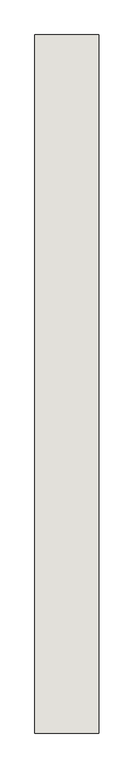
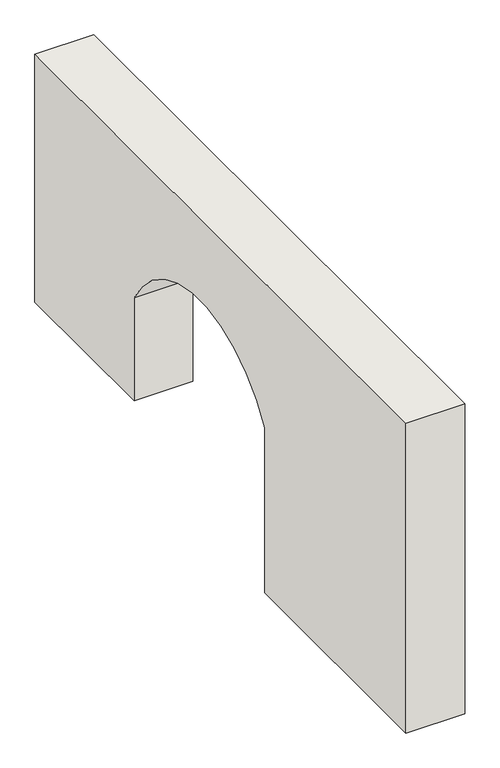
"""IFC4 building model written with IfcOpenShell, lengths in millimetres: wall geometry."""

import ifcopenshell
import ifcopenshell.guid

model = None  # the IFC model being written
_history = None  # IfcOwnerHistory: only IFC2X3 demands one
_inside = {}  # id of a spatial element -> (the spatial element, [elements in it])
_under = {}  # id of a project, library or spatial element -> (it, [spatial elements below it])
_declared = {}  # id of a project -> (the project, [libraries it declares])
_typed = {}  # id of a type object -> (the type object, [elements of that type])
_made_of = {}  # id of a material, layer set ... -> (it, [elements and type objects made of it])


def new_model(schema):
    """Start an empty IFC model of exactly this schema.

    Asked for "IFC4X3", IfcOpenShell would pick the latest addendum, in which some entities
    have other attributes; the version numbers below select the first issue.
    IFC2X3 requires an IfcOwnerHistory on every rooted entity: one is made here for all.
    """
    global model, _history
    if schema == "IFC4X3":
        model = ifcopenshell.file(schema_version=(4, 3, 0, 0))
    else:
        model = ifcopenshell.file(schema=schema)
    _inside.clear()
    _under.clear()
    _declared.clear()
    _typed.clear()
    _made_of.clear()
    _history = None
    if model.schema == "IFC2X3":
        org = make("IfcOrganization", Name="unknown")
        user = make(
            "IfcPersonAndOrganization",
            ThePerson=make("IfcPerson", FamilyName="unknown"),
            TheOrganization=org,
        )
        app = make(
            "IfcApplication",
            ApplicationDeveloper=org,
            Version="unknown",
            ApplicationFullName="unknown",
            ApplicationIdentifier="unknown",
        )
        _history = make(
            "IfcOwnerHistory",
            OwningUser=user,
            OwningApplication=app,
            ChangeAction="ADDED",
            CreationDate=0,
        )
    return model


def make(cls, **values):
    """One entity of the class cls with the attributes given. An attribute that is None is left unset."""
    return model.create_entity(
        cls, **{name: value for name, value in values.items() if value is not None}
    )


def rooted(cls, **values):
    """An entity with a GlobalId (a new one), such as an element, a storey or a relation."""
    return make(cls, GlobalId=ifcopenshell.guid.new(), OwnerHistory=_history, **values)


def si_unit(unit_type, name, prefix=None):
    """IfcSIUnit, for example si_unit("LENGTHUNIT", "METRE", prefix="MILLI")."""
    return make("IfcSIUnit", UnitType=unit_type, Prefix=prefix, Name=name)


def assignment(units):
    """IfcUnitAssignment: the units of a project."""
    return None if units is None else make("IfcUnitAssignment", Units=units)


def point(xyz):
    """IfcCartesianPoint."""
    return None if xyz is None else make("IfcCartesianPoint", Coordinates=xyz)


def direction(xyz):
    """IfcDirection."""
    return None if xyz is None else make("IfcDirection", DirectionRatios=xyz)


def frame(location, z_axis=None, x_axis=None):
    """IfcAxis2Placement3D, a coordinate frame: its origin and axes. An axis left out is left unset."""
    return make(
        "IfcAxis2Placement3D",
        Location=point(location),
        Axis=direction(z_axis),
        RefDirection=direction(x_axis),
    )


def frame_2d(location, x_axis=None):
    """IfcAxis2Placement2D, a coordinate frame in the plane: its origin and x axis."""
    return make(
        "IfcAxis2Placement2D", Location=point(location), RefDirection=direction(x_axis)
    )


def origin():
    """The frame at (0, 0, 0) with its axes left unset."""
    return frame((0.0, 0.0, 0.0))


def place(relative_to, where):
    """IfcLocalPlacement: puts the frame where relative to a parent placement (None: the world)."""
    return make(
        "IfcLocalPlacement", PlacementRelTo=relative_to, RelativePlacement=where
    )


def context(
    kind, dimensions, precision=None, world=None, true_north=None, identifier=None
):
    """IfcGeometricRepresentationContext, for example the 3D "Model" context."""
    return make(
        "IfcGeometricRepresentationContext",
        ContextIdentifier=identifier,
        ContextType=kind,
        CoordinateSpaceDimension=dimensions,
        Precision=precision,
        WorldCoordinateSystem=world,
        TrueNorth=true_north,
    )


def project(units=None, contexts=None):
    """IfcProject with its units and contexts."""
    return rooted(
        "IfcProject",
        Name="project",
        RepresentationContexts=contexts,
        UnitsInContext=assignment(units),
    )


def spatial(cls, under=None, at=None, **own):
    """A site, building, storey or space (cls), placed at a placement, below another one or the project."""
    s = rooted(cls, ObjectPlacement=at, **own)
    if under is not None:
        _under.setdefault(under.id(), (under, []))[1].append(s)
    return s


def polyline(points):
    """IfcPolyline through the points."""
    return make("IfcPolyline", Points=[point(p) for p in points])


def circle_curve(where, radius):
    """IfcCircle in the frame where."""
    return make("IfcCircle", Position=where, Radius=radius)


def trimmed(basis, trim1, trim2, sense, master):
    """IfcTrimmedCurve: the piece of a basis curve between two trims."""
    return make(
        "IfcTrimmedCurve",
        BasisCurve=basis,
        Trim1=trim1,
        Trim2=trim2,
        SenseAgreement=sense,
        MasterRepresentation=master,
    )


def segment(curve, same_sense, transition):
    """IfcCompositeCurveSegment."""
    return make(
        "IfcCompositeCurveSegment",
        Transition=transition,
        SameSense=same_sense,
        ParentCurve=curve,
    )


def composite_curve(segments, self_intersect=None):
    """IfcCompositeCurve: segments joined end to end."""
    return make("IfcCompositeCurve", Segments=segments, SelfIntersect=self_intersect)


def outline(outer, holes=None, kind="AREA"):
    """IfcArbitraryClosedProfileDef: a profile drawn as a closed curve; with holes, ...WithVoids."""
    if holes is None:
        return make("IfcArbitraryClosedProfileDef", ProfileType=kind, OuterCurve=outer)
    return make(
        "IfcArbitraryProfileDefWithVoids",
        ProfileType=kind,
        OuterCurve=outer,
        InnerCurves=holes,
    )


def extrude(swept, where, along, depth):
    """IfcExtrudedAreaSolid: the profile swept, set in the frame where, extruded along a direction by depth."""
    return make(
        "IfcExtrudedAreaSolid",
        SweptArea=swept,
        Position=where,
        ExtrudedDirection=direction(along),
        Depth=depth,
    )


def shape(context_of_items, identifier, shape_type, items):
    """IfcShapeRepresentation: the items that make up one representation, for example the "Body"."""
    return make(
        "IfcShapeRepresentation",
        ContextOfItems=context_of_items,
        RepresentationIdentifier=identifier,
        RepresentationType=shape_type,
        Items=items,
    )


def source(mapping_origin, context_of_items, identifier, shape_type, items):
    """IfcRepresentationMap: a shape defined once, which mapped items show again and again."""
    return make(
        "IfcRepresentationMap",
        MappingOrigin=mapping_origin,
        MappedRepresentation=shape(context_of_items, identifier, shape_type, items),
    )


def transform(
    local_origin,
    x_axis=None,
    y_axis=None,
    z_axis=None,
    scale=None,
    scale2=None,
    scale3=None,
    uniform=True,
):
    """IfcCartesianTransformationOperator3D, or its non-uniform kind. x_axis, y_axis, z_axis: its Axis1, 2, 3."""
    if uniform:
        return make(
            "IfcCartesianTransformationOperator3D",
            Axis1=direction(x_axis),
            Axis2=direction(y_axis),
            LocalOrigin=point(local_origin),
            Scale=scale,
            Axis3=direction(z_axis),
        )
    return make(
        "IfcCartesianTransformationOperator3DnonUniform",
        Axis1=direction(x_axis),
        Axis2=direction(y_axis),
        LocalOrigin=point(local_origin),
        Scale=scale,
        Axis3=direction(z_axis),
        Scale2=scale2,
        Scale3=scale3,
    )


def mapped(mapping_source, mapping_target):
    """IfcMappedItem: shows the shape of a source again, moved by a transform."""
    return make(
        "IfcMappedItem", MappingSource=mapping_source, MappingTarget=mapping_target
    )


def made_of(thing, what):
    """Note that an element or type object is made of a material, layer set ...; save() writes the relation."""
    if what is not None:
        _made_of.setdefault(what.id(), (what, []))[1].append(thing)
    return thing


def element(
    cls,
    number,
    at=None,
    inside=None,
    cuts=None,
    type_object=None,
    material=None,
    context=None,
    identifier="Body",
    shape_type=None,
    held_by="IfcProductDefinitionShape",
    body=None,
    shapes=None,
    **own,
):
    """One element of the class cls, such as IfcWall. Its Tag is "e" and its number.

    at: its placement. inside: the storey or other place that contains it. cuts: it is an
    opening in that element (IfcRelVoidsElement). A single representation is given by context,
    identifier, shape_type and body (its items); several are given by shapes. held_by: the class
    of the entity that holds the representations. save() writes the other relations.
    """
    e = rooted(cls, Tag="e%d" % number, ObjectPlacement=at, **own)
    if body is not None:
        shapes = [shape(context, identifier, shape_type, body)]
    if shapes is not None:
        e.Representation = make(held_by, Representations=shapes)
    if inside is not None:
        _inside.setdefault(inside.id(), (inside, []))[1].append(e)
    if cuts is not None:
        rooted(
            "IfcRelVoidsElement", RelatingBuildingElement=cuts, RelatedOpeningElement=e
        )
    if type_object is not None:
        _typed.setdefault(type_object.id(), (type_object, []))[1].append(e)
    return made_of(e, material)


def aggregate(whole, parts):
    """IfcRelAggregates: a whole, such as a stair, and the parts it consists of."""
    return rooted("IfcRelAggregates", RelatingObject=whole, RelatedObjects=parts)


def save(model, path):
    """Write the relations noted so far, then the file.

    IfcRelAggregates (storeys below a building ...), IfcRelContainedInSpatialStructure (elements
    in a storey), IfcRelDefinesByType, IfcRelAssociatesMaterial and IfcRelDeclares: one each for
    every whole, place, type object, material and project.
    """
    for whole, parts in _under.values():
        aggregate(whole, parts)
    for where, things in _inside.values():
        rooted(
            "IfcRelContainedInSpatialStructure",
            RelatedElements=things,
            RelatingStructure=where,
        )
    for kind, things in _typed.values():
        rooted("IfcRelDefinesByType", RelatedObjects=things, RelatingType=kind)
    for what, things in _made_of.values():
        rooted("IfcRelAssociatesMaterial", RelatedObjects=things, RelatingMaterial=what)
    for by, libraries in _declared.values():
        rooted("IfcRelDeclares", RelatingContext=by, RelatedDefinitions=libraries)
    model.write(path)


def wall_0f5594b6(model_context):
    return source(origin(), model_context, "Body", "SweptSolid", [
        extrude(outline(composite_curve([segment(polyline([(530.5183505, 0.0), (-4769.4816495, 0.0), (-4769.4816495, 7099.0), (9148.5183505, 7099.0), (9148.5183505, 1422.0), (5430.5183505, 1422.0), (5430.5183505, 3777.0)]), True, "CONTINUOUS"), segment(trimmed(circle_curve(frame_2d((2980.5183505, 2434.561178)), 2793.6789348), [point((5430.5183505, 3777.0))], [point((530.5183505, 3777.0))], True, "CARTESIAN"), True, "CONTINUOUS"), segment(polyline([(530.5183505, 3777.0), (530.5183505, 0.0)]), True, "CONTINUOUS")], self_intersect=False)), frame((-2032.6985469, 0.0, 0.0), z_axis=(1.0, 0.0, 0.0), x_axis=(0.0, 1.0, 0.0)), (0.0, 0.0, 1.0), 1276.0),
    ])


if __name__ == "__main__":
    model = new_model("IFC4")
    model_context = context("Model", 3, world=origin())
    ifc_project = project(units=[si_unit("LENGTHUNIT", "METRE", prefix="MILLI")], contexts=[model_context])
    site = spatial("IfcSite", under=ifc_project)
    building = spatial("IfcBuilding", under=site)
    placement = place(None, origin())
    wall_shape = wall_0f5594b6(model_context)
    element("IfcWall", 1, at=placement, inside=building, context=model_context, shape_type="MappedRepresentation", body=[
        mapped(wall_shape, transform((0.0, 0.0, 0.0), x_axis=(1.0, 0.0, 0.0), y_axis=(0.0, 1.0, 0.0), z_axis=(0.0, 0.0, 1.0))),
    ])
    save(model, "model.ifc")
